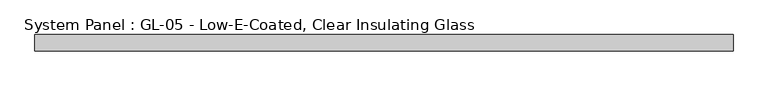
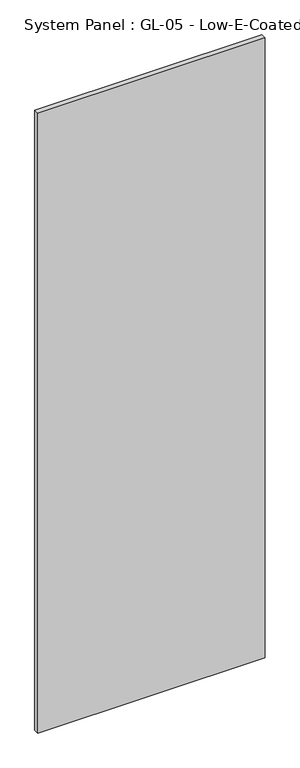
"""IFC4 building model written with IfcOpenShell, lengths in millimetres: plate geometry, System Panel : GL-05 - Low-E-Coated, Clear Insulating Glass."""

from ifc_helpers import new_model, si_unit, origin, origin_with_axes, place, context, project, spatial, polyline, outline, extrude, source, transform, mapped, element, save


def system_panel_gl_05_low_e_coated_clear_insulating_glass_83a8ae57(model_context):
    return source(origin(), model_context, "Body", "SweptSolid", [
        extrude(outline(polyline([(546.1, -12.7), (-546.1, -12.7), (-546.1, 12.7), (546.1, 12.7), (546.1, -12.7)])), origin_with_axes(), (0.0, 0.0, 1.0), 3149.6),
    ])


if __name__ == "__main__":
    model = new_model("IFC4")
    model_context = context("Model", 3, world=origin())
    ifc_project = project(units=[si_unit("LENGTHUNIT", "METRE", prefix="MILLI")], contexts=[model_context])
    site = spatial("IfcSite", under=ifc_project)
    building = spatial("IfcBuilding", under=site)
    placement = place(None, origin())
    system_panel_gl_05_low_e_coated_clear_insulating_glass_shape = system_panel_gl_05_low_e_coated_clear_insulating_glass_83a8ae57(model_context)
    element("IfcPlate", 1, ObjectType="System Panel : GL-05 - Low-E-Coated, Clear Insulating Glass", at=placement, inside=building, context=model_context, shape_type="MappedRepresentation", body=[
        mapped(system_panel_gl_05_low_e_coated_clear_insulating_glass_shape, transform((0.0, 0.0, 0.0), x_axis=(1.0, 0.0, 0.0), y_axis=(0.0, 1.0, 0.0), z_axis=(0.0, 0.0, 1.0))),
    ])
    save(model, "model.ifc")
